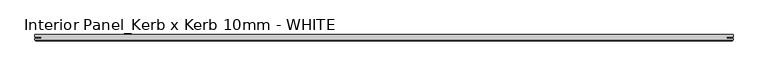
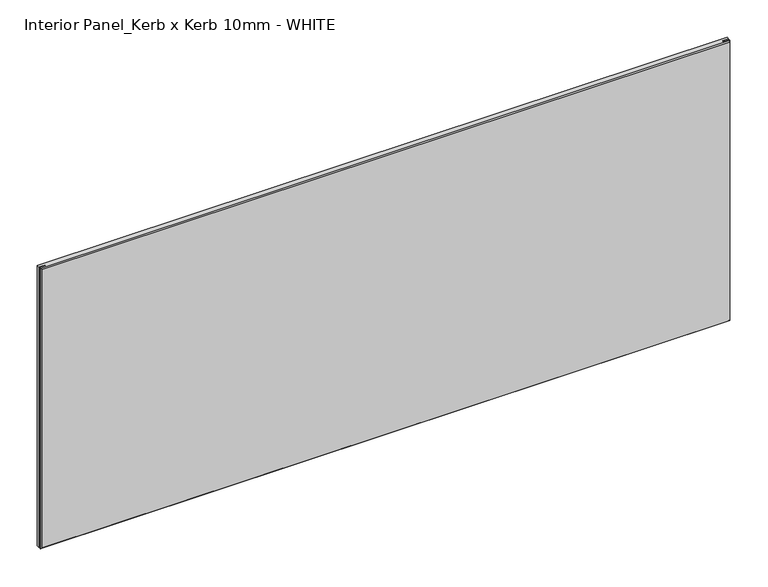
"""IFC4 building model written with IfcOpenShell, lengths in millimetres: proxy geometry, Interior Panel_Kerb x Kerb 10mm - WHITE."""

import ifcopenshell
import ifcopenshell.guid

model = None  # the IFC model being written
_history = None  # IfcOwnerHistory: only IFC2X3 demands one
_inside = {}  # id of a spatial element -> (the spatial element, [elements in it])
_under = {}  # id of a project, library or spatial element -> (it, [spatial elements below it])
_declared = {}  # id of a project -> (the project, [libraries it declares])
_typed = {}  # id of a type object -> (the type object, [elements of that type])
_made_of = {}  # id of a material, layer set ... -> (it, [elements and type objects made of it])


def new_model(schema):
    """Start an empty IFC model of exactly this schema.

    Asked for "IFC4X3", IfcOpenShell would pick the latest addendum, in which some entities
    have other attributes; the version numbers below select the first issue.
    IFC2X3 requires an IfcOwnerHistory on every rooted entity: one is made here for all.
    """
    global model, _history
    if schema == "IFC4X3":
        model = ifcopenshell.file(schema_version=(4, 3, 0, 0))
    else:
        model = ifcopenshell.file(schema=schema)
    _inside.clear()
    _under.clear()
    _declared.clear()
    _typed.clear()
    _made_of.clear()
    _history = None
    if model.schema == "IFC2X3":
        org = make("IfcOrganization", Name="unknown")
        user = make(
            "IfcPersonAndOrganization",
            ThePerson=make("IfcPerson", FamilyName="unknown"),
            TheOrganization=org,
        )
        app = make(
            "IfcApplication",
            ApplicationDeveloper=org,
            Version="unknown",
            ApplicationFullName="unknown",
            ApplicationIdentifier="unknown",
        )
        _history = make(
            "IfcOwnerHistory",
            OwningUser=user,
            OwningApplication=app,
            ChangeAction="ADDED",
            CreationDate=0,
        )
    return model


def make(cls, **values):
    """One entity of the class cls with the attributes given. An attribute that is None is left unset."""
    return model.create_entity(
        cls, **{name: value for name, value in values.items() if value is not None}
    )


def rooted(cls, **values):
    """An entity with a GlobalId (a new one), such as an element, a storey or a relation."""
    return make(cls, GlobalId=ifcopenshell.guid.new(), OwnerHistory=_history, **values)


def si_unit(unit_type, name, prefix=None):
    """IfcSIUnit, for example si_unit("LENGTHUNIT", "METRE", prefix="MILLI")."""
    return make("IfcSIUnit", UnitType=unit_type, Prefix=prefix, Name=name)


def assignment(units):
    """IfcUnitAssignment: the units of a project."""
    return None if units is None else make("IfcUnitAssignment", Units=units)


def point(xyz):
    """IfcCartesianPoint."""
    return None if xyz is None else make("IfcCartesianPoint", Coordinates=xyz)


def direction(xyz):
    """IfcDirection."""
    return None if xyz is None else make("IfcDirection", DirectionRatios=xyz)


def frame(location, z_axis=None, x_axis=None):
    """IfcAxis2Placement3D, a coordinate frame: its origin and axes. An axis left out is left unset."""
    return make(
        "IfcAxis2Placement3D",
        Location=point(location),
        Axis=direction(z_axis),
        RefDirection=direction(x_axis),
    )


def origin():
    """The frame at (0, 0, 0) with its axes left unset."""
    return frame((0.0, 0.0, 0.0))


def place(relative_to, where):
    """IfcLocalPlacement: puts the frame where relative to a parent placement (None: the world)."""
    return make(
        "IfcLocalPlacement", PlacementRelTo=relative_to, RelativePlacement=where
    )


def context(
    kind, dimensions, precision=None, world=None, true_north=None, identifier=None
):
    """IfcGeometricRepresentationContext, for example the 3D "Model" context."""
    return make(
        "IfcGeometricRepresentationContext",
        ContextIdentifier=identifier,
        ContextType=kind,
        CoordinateSpaceDimension=dimensions,
        Precision=precision,
        WorldCoordinateSystem=world,
        TrueNorth=true_north,
    )


def project(units=None, contexts=None):
    """IfcProject with its units and contexts."""
    return rooted(
        "IfcProject",
        Name="project",
        RepresentationContexts=contexts,
        UnitsInContext=assignment(units),
    )


def spatial(cls, under=None, at=None, **own):
    """A site, building, storey or space (cls), placed at a placement, below another one or the project."""
    s = rooted(cls, ObjectPlacement=at, **own)
    if under is not None:
        _under.setdefault(under.id(), (under, []))[1].append(s)
    return s


def faces_of(points, faces, orient=None, outer=None):
    """IfcFace entities. A face is a list of loops; a loop is a list of indices into points, from 0.

    orient and outer hold one flag for each loop. By default every Orientation is true, the
    first loop of a face is its IfcFaceOuterBound and the others are IfcFaceBound.
    """
    made = []
    for i, loops in enumerate(faces):
        bounds = []
        for j, loop in enumerate(loops):
            is_outer = j == 0 if outer is None else outer[i][j]
            bounds.append(
                make(
                    "IfcFaceOuterBound" if is_outer else "IfcFaceBound",
                    Bound=make("IfcPolyLoop", Polygon=[points[k] for k in loop]),
                    Orientation=True if orient is None else orient[i][j],
                )
            )
        made.append(make("IfcFace", Bounds=bounds))
    return made


def faceted_brep(points, faces, orient=None, outer=None, voids=None):
    """IfcFacetedBrep: a solid bounded by flat faces; with voids (closed shells), ...WithVoids."""
    shared = [point(p) for p in points]
    hull = make("IfcClosedShell", CfsFaces=faces_of(shared, faces, orient, outer))
    if voids is None:
        return make("IfcFacetedBrep", Outer=hull)
    return make(
        "IfcFacetedBrepWithVoids",
        Outer=hull,
        Voids=[
            make(cls, CfsFaces=faces_of(shared, fs, o, b)) for cls, fs, o, b in voids
        ],
    )


def shape(context_of_items, identifier, shape_type, items):
    """IfcShapeRepresentation: the items that make up one representation, for example the "Body"."""
    return make(
        "IfcShapeRepresentation",
        ContextOfItems=context_of_items,
        RepresentationIdentifier=identifier,
        RepresentationType=shape_type,
        Items=items,
    )


def source(mapping_origin, context_of_items, identifier, shape_type, items):
    """IfcRepresentationMap: a shape defined once, which mapped items show again and again."""
    return make(
        "IfcRepresentationMap",
        MappingOrigin=mapping_origin,
        MappedRepresentation=shape(context_of_items, identifier, shape_type, items),
    )


def transform(
    local_origin,
    x_axis=None,
    y_axis=None,
    z_axis=None,
    scale=None,
    scale2=None,
    scale3=None,
    uniform=True,
):
    """IfcCartesianTransformationOperator3D, or its non-uniform kind. x_axis, y_axis, z_axis: its Axis1, 2, 3."""
    if uniform:
        return make(
            "IfcCartesianTransformationOperator3D",
            Axis1=direction(x_axis),
            Axis2=direction(y_axis),
            LocalOrigin=point(local_origin),
            Scale=scale,
            Axis3=direction(z_axis),
        )
    return make(
        "IfcCartesianTransformationOperator3DnonUniform",
        Axis1=direction(x_axis),
        Axis2=direction(y_axis),
        LocalOrigin=point(local_origin),
        Scale=scale,
        Axis3=direction(z_axis),
        Scale2=scale2,
        Scale3=scale3,
    )


def mapped(mapping_source, mapping_target):
    """IfcMappedItem: shows the shape of a source again, moved by a transform."""
    return make(
        "IfcMappedItem", MappingSource=mapping_source, MappingTarget=mapping_target
    )


def made_of(thing, what):
    """Note that an element or type object is made of a material, layer set ...; save() writes the relation."""
    if what is not None:
        _made_of.setdefault(what.id(), (what, []))[1].append(thing)
    return thing


def element(
    cls,
    number,
    at=None,
    inside=None,
    cuts=None,
    type_object=None,
    material=None,
    context=None,
    identifier="Body",
    shape_type=None,
    held_by="IfcProductDefinitionShape",
    body=None,
    shapes=None,
    **own,
):
    """One element of the class cls, such as IfcWall. Its Tag is "e" and its number.

    at: its placement. inside: the storey or other place that contains it. cuts: it is an
    opening in that element (IfcRelVoidsElement). A single representation is given by context,
    identifier, shape_type and body (its items); several are given by shapes. held_by: the class
    of the entity that holds the representations. save() writes the other relations.
    """
    e = rooted(cls, Tag="e%d" % number, ObjectPlacement=at, **own)
    if body is not None:
        shapes = [shape(context, identifier, shape_type, body)]
    if shapes is not None:
        e.Representation = make(held_by, Representations=shapes)
    if inside is not None:
        _inside.setdefault(inside.id(), (inside, []))[1].append(e)
    if cuts is not None:
        rooted(
            "IfcRelVoidsElement", RelatingBuildingElement=cuts, RelatedOpeningElement=e
        )
    if type_object is not None:
        _typed.setdefault(type_object.id(), (type_object, []))[1].append(e)
    return made_of(e, material)


def aggregate(whole, parts):
    """IfcRelAggregates: a whole, such as a stair, and the parts it consists of."""
    return rooted("IfcRelAggregates", RelatingObject=whole, RelatedObjects=parts)


def save(model, path):
    """Write the relations noted so far, then the file.

    IfcRelAggregates (storeys below a building ...), IfcRelContainedInSpatialStructure (elements
    in a storey), IfcRelDefinesByType, IfcRelAssociatesMaterial and IfcRelDeclares: one each for
    every whole, place, type object, material and project.
    """
    for whole, parts in _under.values():
        aggregate(whole, parts)
    for where, things in _inside.values():
        rooted(
            "IfcRelContainedInSpatialStructure",
            RelatedElements=things,
            RelatingStructure=where,
        )
    for kind, things in _typed.values():
        rooted("IfcRelDefinesByType", RelatedObjects=things, RelatingType=kind)
    for what, things in _made_of.values():
        rooted("IfcRelAssociatesMaterial", RelatedObjects=things, RelatingMaterial=what)
    for by, libraries in _declared.values():
        rooted("IfcRelDeclares", RelatingContext=by, RelatedDefinitions=libraries)
    model.write(path)


def interior_panel_kerb_x_kerb_10mm_white_3e2b45a1(model_context):
    return source(origin(), model_context, "Body", "Brep", [
        faceted_brep([(990.6, 3.175, 457.2), (-73.025, 3.175, 457.2), (-73.025, -0.5207, 457.2), (-63.2023437, -0.5207, 457.2), (-63.2023437, -2.6543, 457.2), (-73.025, -2.6543, 457.2), (-73.025, -4.7625, 457.2), (990.6, -4.7625, 457.2), (990.6, -2.6543, 457.2), (980.7773437, -2.6543, 457.2), (980.7773437, -0.5207, 457.2), (990.6, -0.5207, 457.2), (990.6, 3.175, 0.0), (990.6, -0.5207, 0.0), (980.7773437, -0.5207, 0.0), (980.7773437, -2.6543, 0.0), (990.6, -2.6543, 0.0), (990.6, -4.7625, 0.0), (-73.025, -4.7625, 0.0), (-73.025, -2.6543, 0.0), (-63.2023437, -2.6543, 0.0), (-63.2023437, -0.5207, 0.0), (-73.025, -0.5207, 0.0), (-73.025, 3.175, 0.0), (-71.4375, -6.35, 455.6125), (-71.4375, -6.35, 1.5875), (989.0125, -6.35, 1.5875), (989.0125, -6.35, 455.6125)], [[[0, 1, 2, 3, 4, 5, 6, 7, 8, 9, 10, 11]], [[12, 13, 14, 15, 16, 17, 18, 19, 20, 21, 22, 23]], [[1, 0, 12, 23]], [[6, 5, 19, 18]], [[24, 25, 26, 27]], [[8, 7, 17, 16]], [[6, 18, 25, 24]], [[17, 7, 27, 26]], [[7, 6, 24, 27]], [[18, 17, 26, 25]], [[9, 8, 16, 15]], [[10, 9, 15, 14]], [[11, 10, 14, 13]], [[0, 11, 13, 12]], [[2, 1, 23, 22]], [[3, 2, 22, 21]], [[4, 3, 21, 20]], [[5, 4, 20, 19]]]),
    ])


if __name__ == "__main__":
    model = new_model("IFC4")
    model_context = context("Model", 3, world=origin())
    ifc_project = project(units=[si_unit("LENGTHUNIT", "METRE", prefix="MILLI")], contexts=[model_context])
    site = spatial("IfcSite", under=ifc_project)
    building = spatial("IfcBuilding", under=site)
    placement = place(None, origin())
    interior_panel_kerb_x_kerb_10mm_white_shape = interior_panel_kerb_x_kerb_10mm_white_3e2b45a1(model_context)
    element("IfcBuildingElementProxy", 1, Name="Interior Panel_Kerb x Kerb 10mm - WHITE", ObjectType="Interior Panel_Kerb x Kerb 10mm - WHITE", at=placement, inside=building, context=model_context, shape_type="MappedRepresentation", body=[
        mapped(interior_panel_kerb_x_kerb_10mm_white_shape, transform((0.0, 0.0, 0.0), x_axis=(1.0, 0.0, 0.0), y_axis=(0.0, 1.0, 0.0), z_axis=(0.0, 0.0, 1.0))),
    ])
    save(model, "model.ifc")
